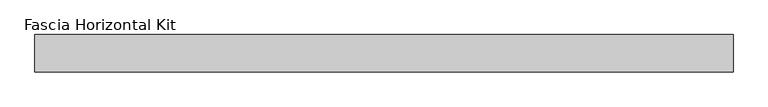
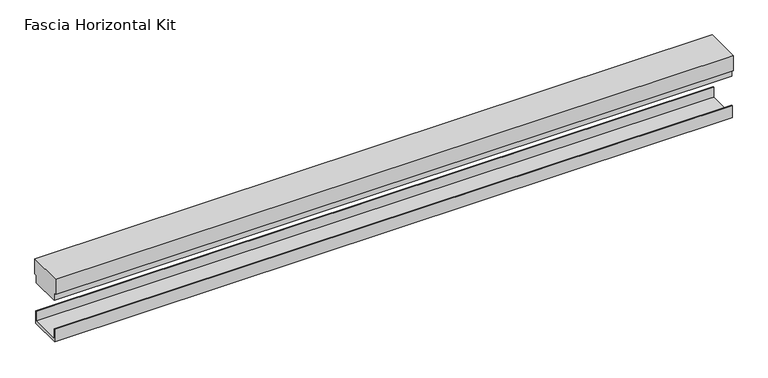
"""IFC4 building model written with IfcOpenShell, lengths in millimetres: proxy geometry, Fascia Horizontal Kit."""

from ifc_helpers import new_model, si_unit, frame, origin, place, context, project, spatial, polyline, outline, extrude, source, transform, mapped, element, save


def fascia_horizontal_kit_96cf670e(model_context):
    return source(origin(), model_context, "Body", "SweptSolid", [
        extrude(outline(polyline([(94.0992263, 4.58724), (94.0992263, 23.2156), (95.2574663, 23.2156), (95.2574663, 0.0), (37.2438663, 0.0), (37.2438663, 23.2156), (38.4021063, 23.2156), (38.4021063, 4.58724), (94.0992263, 4.58724)])), frame((-702.8438598, 0.0, 0.0), z_axis=(1.0, 0.0, 0.0), x_axis=(0.0, 1.0, 0.0)), (0.0, 0.0, 1.0), 1205.0029973),
        extrude(outline(polyline([(98.4324663, 119.029), (98.4324663, 91.029), (93.5466663, 91.029), (93.5466663, 77.0336001), (38.9546663, 77.0336001), (38.9546663, 91.029), (34.0688663, 91.029), (34.0688663, 119.029), (98.4324663, 119.029)])), frame((-702.8438598, 0.0, 0.0), z_axis=(1.0, 0.0, 0.0), x_axis=(0.0, 1.0, 0.0)), (0.0, 0.0, 1.0), 1205.0029973),
    ])


if __name__ == "__main__":
    model = new_model("IFC4")
    model_context = context("Model", 3, world=origin())
    ifc_project = project(units=[si_unit("LENGTHUNIT", "METRE", prefix="MILLI")], contexts=[model_context])
    site = spatial("IfcSite", under=ifc_project)
    building = spatial("IfcBuilding", under=site)
    placement = place(None, origin())
    fascia_horizontal_kit_shape = fascia_horizontal_kit_96cf670e(model_context)
    element("IfcBuildingElementProxy", 1, Name="Fascia Horizontal Kit", ObjectType="Fascia Horizontal Kit", at=placement, inside=building, context=model_context, shape_type="MappedRepresentation", body=[
        mapped(fascia_horizontal_kit_shape, transform((0.0, 0.0, 0.0), x_axis=(1.0, 0.0, 0.0), y_axis=(0.0, 1.0, 0.0), z_axis=(0.0, 0.0, 1.0))),
    ])
    save(model, "model.ifc")
